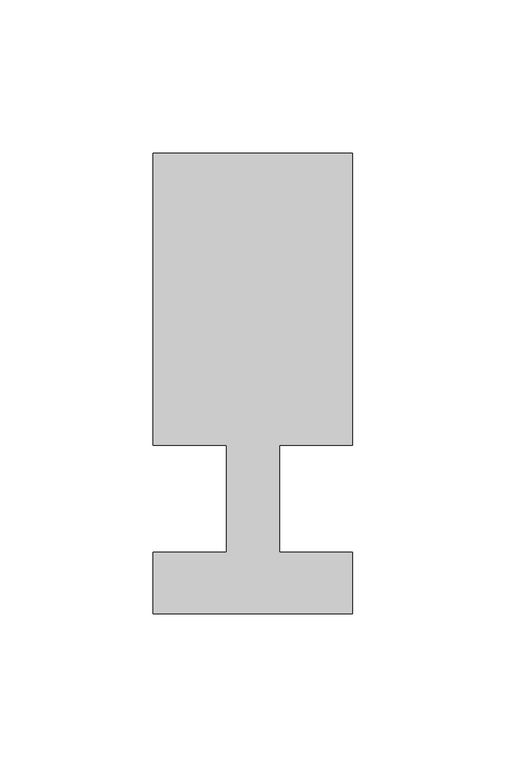
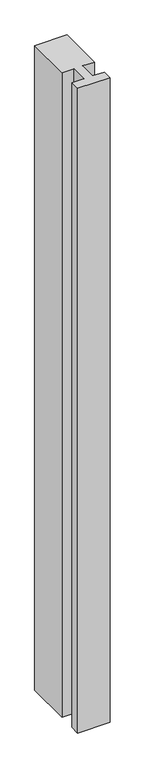
"""IFC4 building model written with IfcOpenShell, lengths in millimetres: member geometry."""

from ifc_helpers import new_model, si_unit, frame, origin, place, context, project, spatial, polyline, outline, extrude, source, transform, mapped, element, save


def member_ee7d8a34(model_context):
    return source(origin(), model_context, "Body", "SweptSolid", [
        extrude(outline(polyline([(-65.0, -37.0), (-65.0, -17.0), (-41.1875, -17.0), (-41.1875, 18.0), (-65.0, 18.0), (-65.0, 113.0), (0.0, 113.0), (0.0, 18.0), (-23.8125, 18.0), (-23.8125, -17.0), (0.0, -17.0), (0.0, -37.0), (-65.0, -37.0)])), frame((0.0, 0.0, -1370.0), z_axis=(0.0, 0.0, 1.0), x_axis=(1.0, 0.0, 0.0)), (0.0, 0.0, 1.0), 1370.0),
    ])


if __name__ == "__main__":
    model = new_model("IFC4")
    model_context = context("Model", 3, world=origin())
    ifc_project = project(units=[si_unit("LENGTHUNIT", "METRE", prefix="MILLI")], contexts=[model_context])
    site = spatial("IfcSite", under=ifc_project)
    building = spatial("IfcBuilding", under=site)
    placement = place(None, origin())
    member_shape = member_ee7d8a34(model_context)
    element("IfcMember", 1, at=placement, inside=building, context=model_context, shape_type="MappedRepresentation", body=[
        mapped(member_shape, transform((0.0, 0.0, 0.0), x_axis=(1.0, 0.0, 0.0), y_axis=(0.0, 1.0, 0.0), z_axis=(0.0, 0.0, 1.0))),
    ])
    save(model, "model.ifc")
